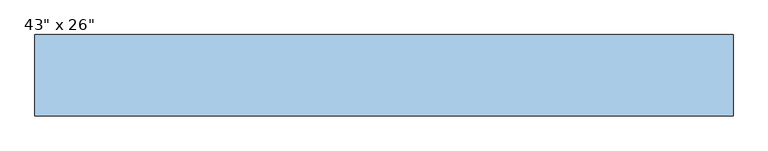
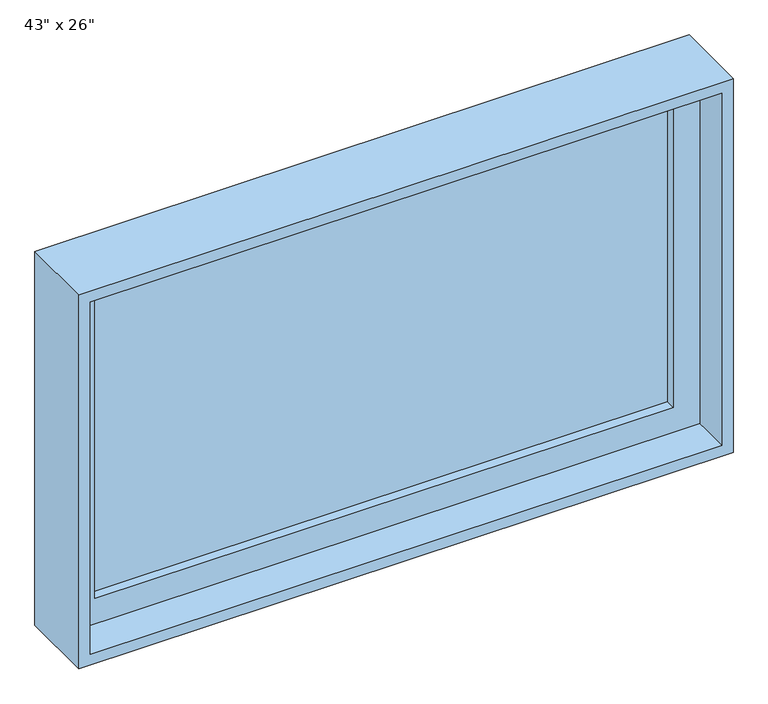
"""IFC4 building model written with IfcOpenShell, lengths in millimetres: window geometry."""

from ifc_helpers import new_model, si_unit, frame, origin, place, context, project, spatial, polyline, outline, extrude, source, transform, mapped, element, save


def window_4b2afd61(model_context):
    return source(origin(), model_context, "Body", "SweptSolid", [
        extrude(outline(polyline([(1555.75, 527.05), (1555.75, -527.05), (933.45, -527.05), (933.45, 527.05), (1555.75, 527.05)]), holes=[polyline([(1511.3, 482.6), (977.9, 482.6), (977.9, -482.6), (1511.3, -482.6), (1511.3, 482.6)])]), frame((0.0, -55.5625, 0.0), z_axis=(0.0, 1.0, 0.0), x_axis=(0.0, 0.0, 1.0)), (0.0, 0.0, 1.0), 44.45),
        extrude(outline(polyline([(482.6, -39.6875), (-482.6, -39.6875), (-482.6, -26.9875), (482.6, -26.9875), (482.6, -39.6875)])), frame((0.0, 0.0, 977.9), z_axis=(0.0, 0.0, 1.0), x_axis=(1.0, 0.0, 0.0)), (0.0, 0.0, 1.0), 533.4),
        extrude(outline(polyline([(1574.8, -546.1), (914.4, -546.1), (914.4, 546.1), (1574.8, 546.1), (1574.8, -546.1)]), holes=[polyline([(933.45, 527.05), (933.45, -527.05), (1555.75, -527.05), (1555.75, 527.05), (933.45, 527.05)])]), frame((0.0, -119.0625, 0.0), z_axis=(0.0, 1.0, 0.0), x_axis=(0.0, 0.0, 1.0)), (0.0, 0.0, 1.0), 127.0),
    ])


if __name__ == "__main__":
    model = new_model("IFC4")
    model_context = context("Model", 3, world=origin())
    ifc_project = project(units=[si_unit("LENGTHUNIT", "METRE", prefix="MILLI")], contexts=[model_context])
    site = spatial("IfcSite", under=ifc_project)
    building = spatial("IfcBuilding", under=site)
    placement = place(None, origin())
    window_shape = window_4b2afd61(model_context)
    element("IfcWindow", 1, ObjectType="43\" x 26\"", at=placement, inside=building, context=model_context, shape_type="MappedRepresentation", body=[
        mapped(window_shape, transform((0.0, 0.0, 0.0), x_axis=(1.0, 0.0, 0.0), y_axis=(0.0, 1.0, 0.0), z_axis=(0.0, 0.0, 1.0))),
    ])
    save(model, "model.ifc")
